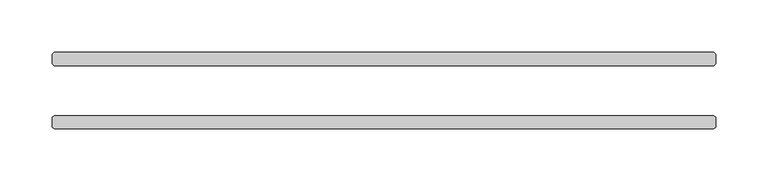
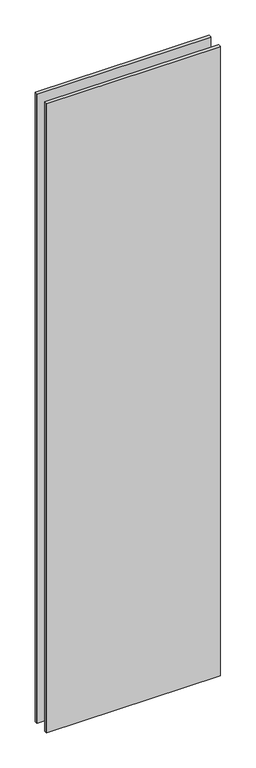
"""IFC4 building model written with IfcOpenShell, lengths in millimetres: plate geometry."""

from ifc_helpers import new_model, si_unit, origin, origin_with_axes, place, context, project, spatial, polyline, outline, extrude, source, transform, mapped, element, save


def plate_6603084f(model_context):
    return source(origin(), model_context, "Body", "SweptSolid", [
        extrude(outline(polyline([(315.11875, 23.8125), (-315.11875, 23.8125), (-316.70625, 25.4), (-316.70625, 34.925), (-315.11875, 36.5125), (315.11875, 36.5125), (316.70625, 34.925), (316.70625, 25.4), (315.11875, 23.8125)])), origin_with_axes(), (0.0, 0.0, 1.0), 2417.7625023),
        extrude(outline(polyline([(315.11875, -36.5125), (-315.11875, -36.5125), (-316.70625, -34.925), (-316.70625, -25.4), (-315.11875, -23.8125), (315.11875, -23.8125), (316.70625, -25.4), (316.70625, -34.925), (315.11875, -36.5125)])), origin_with_axes(), (0.0, 0.0, 1.0), 2417.7625023),
    ])


if __name__ == "__main__":
    model = new_model("IFC4")
    model_context = context("Model", 3, world=origin())
    ifc_project = project(units=[si_unit("LENGTHUNIT", "METRE", prefix="MILLI")], contexts=[model_context])
    site = spatial("IfcSite", under=ifc_project)
    building = spatial("IfcBuilding", under=site)
    placement = place(None, origin())
    plate_shape = plate_6603084f(model_context)
    element("IfcPlate", 1, at=placement, inside=building, context=model_context, shape_type="MappedRepresentation", body=[
        mapped(plate_shape, transform((0.0, 0.0, 0.0), x_axis=(1.0, 0.0, 0.0), y_axis=(0.0, 1.0, 0.0), z_axis=(0.0, 0.0, 1.0))),
    ])
    save(model, "model.ifc")
